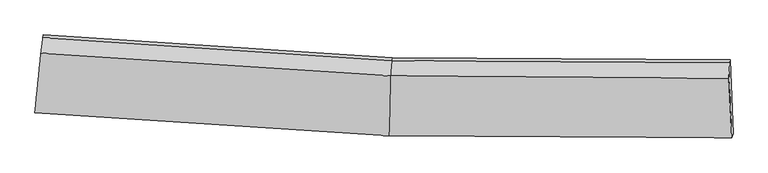
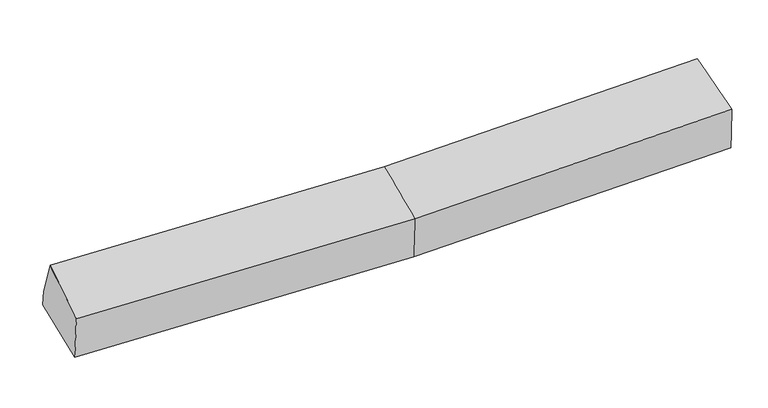
"""IFC4 building model written with IfcOpenShell, lengths in millimetres: proxy geometry."""

from ifc_helpers import new_model, si_unit, frame, origin, place, context, project, spatial, source, transform, mapped, element, save
from ifc_brep_helpers import plane_surface, spline_surface, advanced_brep


def generic_models_faf65c8f(model_context):
    return source(origin(), model_context, "Body", "AdvancedBrep", [
        advanced_brep(
        [(-3192.4688989, -1840.1347287, 2102.1540681), (-3185.2943467, -1801.7766712, 1676.7283891), (20.8288055, -2011.0223153, 1719.7550715), (11.293886, -2049.2177797, 2145.1490241), (-3116.3403257, -1134.9225582, 1790.5305641), (40.9281685, -1340.802866, 1832.9005771), (-3120.2867368, -1161.4334871, 1948.2695779), (36.9817573, -1367.3137948, 1990.6395909), (-3137.4654129, -1300.1347708, 2306.5425755), (25.3928206, -1506.4001258, 2348.9877218), (3094.8719094, -1385.8417657, 2048.8147876), (3088.6964356, -1524.9222692, 2407.2993352), (3114.2120982, -2067.6972793, 2204.4589068), (3126.0329491, -2029.4993541, 1779.1225586), (3098.8183206, -1359.3308368, 1891.0757737)],
        [
            (0, 1),
            (1, 2),
            (2, 3),
            (3, 0),
            (1, 4),
            (4, 5),
            (5, 1),
            (4, 6),
            (6, 7),
            (7, 5),
            (6, 8),
            (8, 9),
            (9, 7),
            (8, 0),
            (3, 9),
            (10, 11),
            (11, 12),
            (12, 13),
            (13, 14),
            (14, 10),
            (5, 2),
            (9, 11),
            (10, 7),
            (3, 12),
            (2, 13),
            (5, 14),
        ],
        [
            spline_surface(1, 1, [[(-3192.4688989, -1840.1347287, 2102.1540681), (11.293886, -2049.2177797, 2145.1490241)], [(-3185.2943467, -1801.7766712, 1676.7283891), (20.8288055, -2011.0223153, 1719.7550715)]], [2, 2], [2, 2], [0.0, 1.0], [0.0, 1.0]),
            plane_surface(frame((-3150.8173362, -1468.3496147, 1733.6294766), z_axis=(0.024039113260211874, 0.16575879041953911, -0.9858732902520049), x_axis=(0.10140297205576357, 0.9806678131654029, 0.167356139653269))),
            plane_surface(frame((-3118.3135313, -1148.1780226, 1869.400071), z_axis=(0.06192624448039403, 0.9840217420876791, 0.16693217587776119), x_axis=(-0.024665069842045872, -0.16569330523973044, 0.9858688365743288))),
            spline_surface(1, 1, [[(-3120.2867368, -1161.4334871, 1948.2695779), (36.9817573, -1367.3137948, 1990.6395909)], [(-3137.4654129, -1300.1347708, 2306.5425755), (25.3928206, -1506.4001258, 2348.9877218)]], [2, 2], [2, 2], [0.0, 1.0], [0.0, 1.0]),
            spline_surface(1, 1, [[(-3137.4654129, -1300.1347708, 2306.5425755), (25.3928206, -1506.4001258, 2348.9877218)], [(-3192.4688989, -1840.1347287, 2102.1540681), (11.293886, -2049.2177797, 2145.1490241)]], [2, 2], [2, 2], [0.0, 1.0], [0.0, 1.0]),
            plane_surface(frame((3104.5263426, -1673.458301, 2066.1542724), z_axis=(0.9988943451955641, 0.03539517690139089, 0.030939757407654898), x_axis=(-0.016058202397060132, -0.36165368503639383, 0.9321742038027935))),
            plane_surface(frame((-3150.3711442, -1447.6804432, 1964.845035), z_axis=(-0.9945396279625784, 0.10409788095884091, -0.007386446502547411), x_axis=(0.09483359665486256, 0.9310344102219323, 0.35239397828027863))),
            plane_surface(frame((-3185.2943467, -1801.7766712, 1676.7283891), z_axis=(0.024045888783314616, 0.16571387274198393, -0.9858806761538002), x_axis=(0.02955788668303829, 0.9856168371515233, 0.16639044942021308))),
            spline_surface(1, 1, [[(36.9817573, -1367.3137948, 1990.6395909), (3094.8719094, -1385.8417657, 2048.8147876)], [(25.3928206, -1506.4001258, 2348.9877218), (3088.6964356, -1524.9222692, 2407.2993352)]], [2, 2], [2, 2], [0.0, 1.0], [0.0, 1.0]),
            spline_surface(1, 1, [[(25.3928206, -1506.4001258, 2348.9877218), (3088.6964356, -1524.9222692, 2407.2993352)], [(11.293886, -2049.2177797, 2145.1490241), (3114.2120982, -2067.6972793, 2204.4589068)]], [2, 2], [2, 2], [0.0, 1.0], [0.0, 1.0]),
            spline_surface(1, 1, [[(11.293886, -2049.2177797, 2145.1490241), (3114.2120982, -2067.6972793, 2204.4589068)], [(20.8288055, -2011.0223153, 1719.7550715), (3126.0329491, -2029.4993541, 1779.1225586)]], [2, 2], [2, 2], [0.0, 1.0], [0.0, 1.0]),
            spline_surface(1, 1, [[(20.8288055, -2011.0223153, 1719.7550715), (3126.0329491, -2029.4993541, 1779.1225586)], [(40.9281685, -1340.802866, 1832.9005771), (3098.8183206, -1359.3308368, 1891.0757737)]], [2, 2], [2, 2], [0.0, 1.0], [0.0, 1.0]),
            plane_surface(frame((38.9549629, -1354.0583304, 1911.770084), z_axis=(0.0028206680714185275, 0.9861533977646483, 0.16581170015674637), x_axis=(-0.02466506984210165, -0.1656933052396759, 0.9858688365743367))),
        ],
        [
            (0, [[1, 2, 3, 4]]),
            (1, [[5, 6, 7]]),
            (2, [[8, 9, 10, -6]]),
            (3, [[11, 12, 13, -9]]),
            (4, [[14, -4, 15, -12]]),
            (5, [[16, 17, 18, 19, 20]]),
            (6, [[-14, -11, -8, -5, -1]]),
            (7, [[21, -2, -7]]),
            (8, [[-13, 22, -16, 23]]),
            (9, [[-15, 24, -17, -22]]),
            (10, [[-3, 25, -18, -24]]),
            (11, [[-21, 26, -19, -25]]),
            (12, [[-10, -23, -20, -26]]),
        ],
    ),
    ])


if __name__ == "__main__":
    model = new_model("IFC4")
    model_context = context("Model", 3, world=origin())
    ifc_project = project(units=[si_unit("LENGTHUNIT", "METRE", prefix="MILLI")], contexts=[model_context])
    site = spatial("IfcSite", under=ifc_project)
    building = spatial("IfcBuilding", under=site)
    placement = place(None, origin())
    generic_models_shape = generic_models_faf65c8f(model_context)
    element("IfcBuildingElementProxy", 1, Name="Generic Models", at=placement, inside=building, context=model_context, shape_type="MappedRepresentation", body=[
        mapped(generic_models_shape, transform((0.0, 0.0, 0.0), x_axis=(1.0, 0.0, 0.0), y_axis=(0.0, 1.0, 0.0), z_axis=(0.0, 0.0, 1.0))),
    ])
    save(model, "model.ifc")
